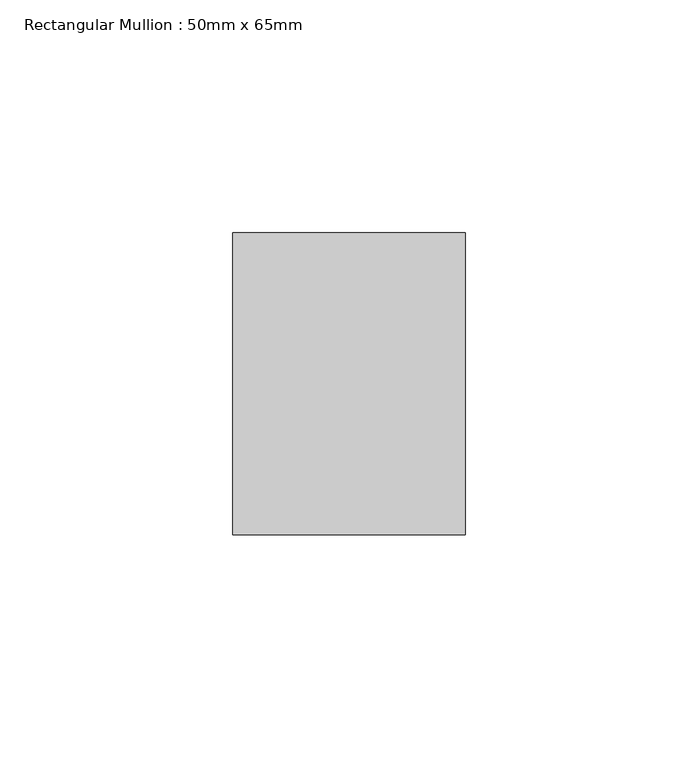
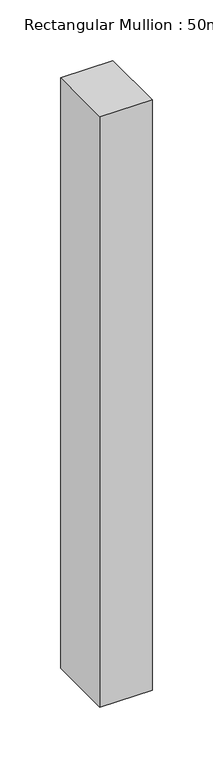
"""IFC4 building model written with IfcOpenShell, lengths in millimetres: member geometry, Rectangular Mullion : 50mm x 65mm."""

from ifc_helpers import new_model, si_unit, frame, origin, place, context, project, spatial, polyline, outline, extrude, source, transform, mapped, element, save


def rectangular_mullion_50mm_x_65mm_d8b49996(model_context):
    return source(origin(), model_context, "Body", "SweptSolid", [
        extrude(outline(polyline([(25.0, 32.5), (25.0, -32.5), (-25.0, -32.5), (-25.0, 32.5), (25.0, 32.5)])), frame((0.0, 0.0, -595.775959), z_axis=(0.0, 0.0, 1.0), x_axis=(1.0, 0.0, 0.0)), (0.0, 0.0, 1.0), 595.775959),
    ])


if __name__ == "__main__":
    model = new_model("IFC4")
    model_context = context("Model", 3, world=origin())
    ifc_project = project(units=[si_unit("LENGTHUNIT", "METRE", prefix="MILLI")], contexts=[model_context])
    site = spatial("IfcSite", under=ifc_project)
    building = spatial("IfcBuilding", under=site)
    placement = place(None, origin())
    rectangular_mullion_50mm_x_65mm_shape = rectangular_mullion_50mm_x_65mm_d8b49996(model_context)
    element("IfcMember", 1, ObjectType="Rectangular Mullion : 50mm x 65mm", at=placement, inside=building, context=model_context, shape_type="MappedRepresentation", body=[
        mapped(rectangular_mullion_50mm_x_65mm_shape, transform((0.0, 0.0, 0.0), x_axis=(1.0, 0.0, 0.0), y_axis=(0.0, 1.0, 0.0), z_axis=(0.0, 0.0, 1.0))),
    ])
    save(model, "model.ifc")
